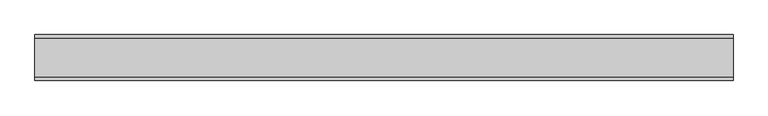
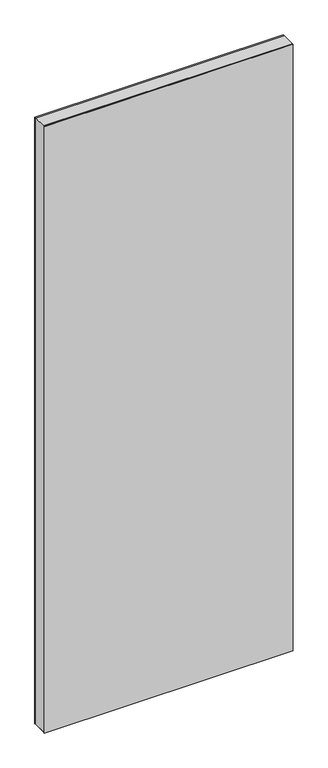
"""IFC4 building model written with IfcOpenShell, lengths in millimetres: plate geometry."""

from ifc_helpers import new_model, si_unit, frame, origin, origin_with_axes, place, context, project, spatial, polyline, outline, extrude, source, transform, mapped, element, save


def plate_ea0aec87(model_context):
    return source(origin(), model_context, "Body", "SweptSolid", [
        extrude(outline(polyline([(2915.0, -566.1428573), (0.0, -566.1428573), (0.0, 566.1428573), (2915.0, 566.1428573), (2915.0, -566.1428573)]), holes=[polyline([(2914.0, -565.1428573), (2914.0, 565.1428573), (1.0, 565.1428573), (1.0, -565.1428573), (2914.0, -565.1428573)])]), frame((0.0, -31.2, 0.0), z_axis=(0.0, 1.0, 0.0), x_axis=(0.0, 0.0, 1.0)), (0.0, 0.0, 1.0), 62.4),
        extrude(outline(polyline([(566.1428573, 31.2), (-566.1428573, 31.2), (-566.1428573, 37.2), (566.1428573, 37.2), (566.1428573, 31.2)])), origin_with_axes(), (0.0, 0.0, 1.0), 2915.0),
        extrude(outline(polyline([(-566.1428573, -37.2), (-566.1428573, -31.2), (566.1428573, -31.2), (566.1428573, -37.2), (-566.1428573, -37.2)])), origin_with_axes(), (0.0, 0.0, 1.0), 2915.0),
    ])


if __name__ == "__main__":
    model = new_model("IFC4")
    model_context = context("Model", 3, world=origin())
    ifc_project = project(units=[si_unit("LENGTHUNIT", "METRE", prefix="MILLI")], contexts=[model_context])
    site = spatial("IfcSite", under=ifc_project)
    building = spatial("IfcBuilding", under=site)
    placement = place(None, origin())
    plate_shape = plate_ea0aec87(model_context)
    element("IfcPlate", 1, at=placement, inside=building, context=model_context, shape_type="MappedRepresentation", body=[
        mapped(plate_shape, transform((0.0, 0.0, 0.0), x_axis=(1.0, 0.0, 0.0), y_axis=(0.0, 1.0, 0.0), z_axis=(0.0, 0.0, 1.0))),
    ])
    save(model, "model.ifc")
